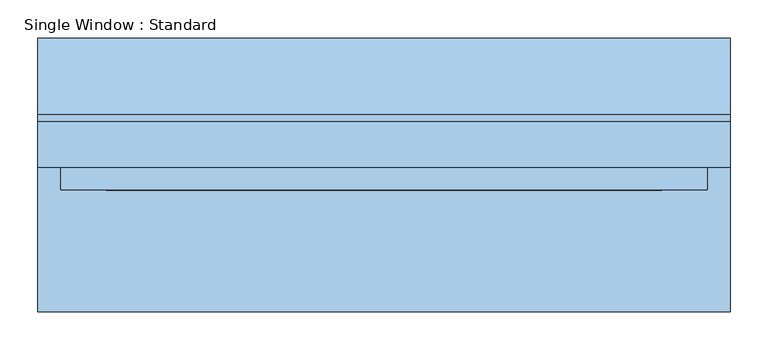
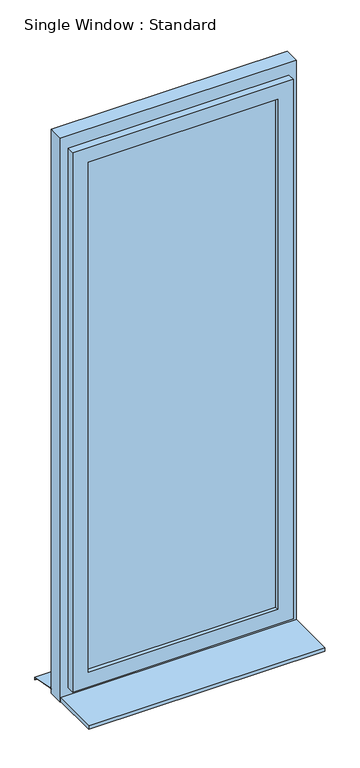
"""IFC4 building model written with IfcOpenShell, lengths in millimetres: window geometry, Single Window : Standard."""

import ifcopenshell
import ifcopenshell.guid

model = None  # the IFC model being written
_history = None  # IfcOwnerHistory: only IFC2X3 demands one
_inside = {}  # id of a spatial element -> (the spatial element, [elements in it])
_under = {}  # id of a project, library or spatial element -> (it, [spatial elements below it])
_declared = {}  # id of a project -> (the project, [libraries it declares])
_typed = {}  # id of a type object -> (the type object, [elements of that type])
_made_of = {}  # id of a material, layer set ... -> (it, [elements and type objects made of it])


def new_model(schema):
    """Start an empty IFC model of exactly this schema.

    Asked for "IFC4X3", IfcOpenShell would pick the latest addendum, in which some entities
    have other attributes; the version numbers below select the first issue.
    IFC2X3 requires an IfcOwnerHistory on every rooted entity: one is made here for all.
    """
    global model, _history
    if schema == "IFC4X3":
        model = ifcopenshell.file(schema_version=(4, 3, 0, 0))
    else:
        model = ifcopenshell.file(schema=schema)
    _inside.clear()
    _under.clear()
    _declared.clear()
    _typed.clear()
    _made_of.clear()
    _history = None
    if model.schema == "IFC2X3":
        org = make("IfcOrganization", Name="unknown")
        user = make(
            "IfcPersonAndOrganization",
            ThePerson=make("IfcPerson", FamilyName="unknown"),
            TheOrganization=org,
        )
        app = make(
            "IfcApplication",
            ApplicationDeveloper=org,
            Version="unknown",
            ApplicationFullName="unknown",
            ApplicationIdentifier="unknown",
        )
        _history = make(
            "IfcOwnerHistory",
            OwningUser=user,
            OwningApplication=app,
            ChangeAction="ADDED",
            CreationDate=0,
        )
    return model


def make(cls, **values):
    """One entity of the class cls with the attributes given. An attribute that is None is left unset."""
    return model.create_entity(
        cls, **{name: value for name, value in values.items() if value is not None}
    )


def rooted(cls, **values):
    """An entity with a GlobalId (a new one), such as an element, a storey or a relation."""
    return make(cls, GlobalId=ifcopenshell.guid.new(), OwnerHistory=_history, **values)


def si_unit(unit_type, name, prefix=None):
    """IfcSIUnit, for example si_unit("LENGTHUNIT", "METRE", prefix="MILLI")."""
    return make("IfcSIUnit", UnitType=unit_type, Prefix=prefix, Name=name)


def assignment(units):
    """IfcUnitAssignment: the units of a project."""
    return None if units is None else make("IfcUnitAssignment", Units=units)


def point(xyz):
    """IfcCartesianPoint."""
    return None if xyz is None else make("IfcCartesianPoint", Coordinates=xyz)


def direction(xyz):
    """IfcDirection."""
    return None if xyz is None else make("IfcDirection", DirectionRatios=xyz)


def frame(location, z_axis=None, x_axis=None):
    """IfcAxis2Placement3D, a coordinate frame: its origin and axes. An axis left out is left unset."""
    return make(
        "IfcAxis2Placement3D",
        Location=point(location),
        Axis=direction(z_axis),
        RefDirection=direction(x_axis),
    )


def origin():
    """The frame at (0, 0, 0) with its axes left unset."""
    return frame((0.0, 0.0, 0.0))


def place(relative_to, where):
    """IfcLocalPlacement: puts the frame where relative to a parent placement (None: the world)."""
    return make(
        "IfcLocalPlacement", PlacementRelTo=relative_to, RelativePlacement=where
    )


def context(
    kind, dimensions, precision=None, world=None, true_north=None, identifier=None
):
    """IfcGeometricRepresentationContext, for example the 3D "Model" context."""
    return make(
        "IfcGeometricRepresentationContext",
        ContextIdentifier=identifier,
        ContextType=kind,
        CoordinateSpaceDimension=dimensions,
        Precision=precision,
        WorldCoordinateSystem=world,
        TrueNorth=true_north,
    )


def project(units=None, contexts=None):
    """IfcProject with its units and contexts."""
    return rooted(
        "IfcProject",
        Name="project",
        RepresentationContexts=contexts,
        UnitsInContext=assignment(units),
    )


def spatial(cls, under=None, at=None, **own):
    """A site, building, storey or space (cls), placed at a placement, below another one or the project."""
    s = rooted(cls, ObjectPlacement=at, **own)
    if under is not None:
        _under.setdefault(under.id(), (under, []))[1].append(s)
    return s


def polyline(points):
    """IfcPolyline through the points."""
    return make("IfcPolyline", Points=[point(p) for p in points])


def outline(outer, holes=None, kind="AREA"):
    """IfcArbitraryClosedProfileDef: a profile drawn as a closed curve; with holes, ...WithVoids."""
    if holes is None:
        return make("IfcArbitraryClosedProfileDef", ProfileType=kind, OuterCurve=outer)
    return make(
        "IfcArbitraryProfileDefWithVoids",
        ProfileType=kind,
        OuterCurve=outer,
        InnerCurves=holes,
    )


def extrude(swept, where, along, depth):
    """IfcExtrudedAreaSolid: the profile swept, set in the frame where, extruded along a direction by depth."""
    return make(
        "IfcExtrudedAreaSolid",
        SweptArea=swept,
        Position=where,
        ExtrudedDirection=direction(along),
        Depth=depth,
    )


def faces_of(points, faces, orient=None, outer=None):
    """IfcFace entities. A face is a list of loops; a loop is a list of indices into points, from 0.

    orient and outer hold one flag for each loop. By default every Orientation is true, the
    first loop of a face is its IfcFaceOuterBound and the others are IfcFaceBound.
    """
    made = []
    for i, loops in enumerate(faces):
        bounds = []
        for j, loop in enumerate(loops):
            is_outer = j == 0 if outer is None else outer[i][j]
            bounds.append(
                make(
                    "IfcFaceOuterBound" if is_outer else "IfcFaceBound",
                    Bound=make("IfcPolyLoop", Polygon=[points[k] for k in loop]),
                    Orientation=True if orient is None else orient[i][j],
                )
            )
        made.append(make("IfcFace", Bounds=bounds))
    return made


def faceted_brep(points, faces, orient=None, outer=None, voids=None):
    """IfcFacetedBrep: a solid bounded by flat faces; with voids (closed shells), ...WithVoids."""
    shared = [point(p) for p in points]
    hull = make("IfcClosedShell", CfsFaces=faces_of(shared, faces, orient, outer))
    if voids is None:
        return make("IfcFacetedBrep", Outer=hull)
    return make(
        "IfcFacetedBrepWithVoids",
        Outer=hull,
        Voids=[
            make(cls, CfsFaces=faces_of(shared, fs, o, b)) for cls, fs, o, b in voids
        ],
    )


def shape(context_of_items, identifier, shape_type, items):
    """IfcShapeRepresentation: the items that make up one representation, for example the "Body"."""
    return make(
        "IfcShapeRepresentation",
        ContextOfItems=context_of_items,
        RepresentationIdentifier=identifier,
        RepresentationType=shape_type,
        Items=items,
    )


def source(mapping_origin, context_of_items, identifier, shape_type, items):
    """IfcRepresentationMap: a shape defined once, which mapped items show again and again."""
    return make(
        "IfcRepresentationMap",
        MappingOrigin=mapping_origin,
        MappedRepresentation=shape(context_of_items, identifier, shape_type, items),
    )


def transform(
    local_origin,
    x_axis=None,
    y_axis=None,
    z_axis=None,
    scale=None,
    scale2=None,
    scale3=None,
    uniform=True,
):
    """IfcCartesianTransformationOperator3D, or its non-uniform kind. x_axis, y_axis, z_axis: its Axis1, 2, 3."""
    if uniform:
        return make(
            "IfcCartesianTransformationOperator3D",
            Axis1=direction(x_axis),
            Axis2=direction(y_axis),
            LocalOrigin=point(local_origin),
            Scale=scale,
            Axis3=direction(z_axis),
        )
    return make(
        "IfcCartesianTransformationOperator3DnonUniform",
        Axis1=direction(x_axis),
        Axis2=direction(y_axis),
        LocalOrigin=point(local_origin),
        Scale=scale,
        Axis3=direction(z_axis),
        Scale2=scale2,
        Scale3=scale3,
    )


def mapped(mapping_source, mapping_target):
    """IfcMappedItem: shows the shape of a source again, moved by a transform."""
    return make(
        "IfcMappedItem", MappingSource=mapping_source, MappingTarget=mapping_target
    )


def made_of(thing, what):
    """Note that an element or type object is made of a material, layer set ...; save() writes the relation."""
    if what is not None:
        _made_of.setdefault(what.id(), (what, []))[1].append(thing)
    return thing


def element(
    cls,
    number,
    at=None,
    inside=None,
    cuts=None,
    type_object=None,
    material=None,
    context=None,
    identifier="Body",
    shape_type=None,
    held_by="IfcProductDefinitionShape",
    body=None,
    shapes=None,
    **own,
):
    """One element of the class cls, such as IfcWall. Its Tag is "e" and its number.

    at: its placement. inside: the storey or other place that contains it. cuts: it is an
    opening in that element (IfcRelVoidsElement). A single representation is given by context,
    identifier, shape_type and body (its items); several are given by shapes. held_by: the class
    of the entity that holds the representations. save() writes the other relations.
    """
    e = rooted(cls, Tag="e%d" % number, ObjectPlacement=at, **own)
    if body is not None:
        shapes = [shape(context, identifier, shape_type, body)]
    if shapes is not None:
        e.Representation = make(held_by, Representations=shapes)
    if inside is not None:
        _inside.setdefault(inside.id(), (inside, []))[1].append(e)
    if cuts is not None:
        rooted(
            "IfcRelVoidsElement", RelatingBuildingElement=cuts, RelatedOpeningElement=e
        )
    if type_object is not None:
        _typed.setdefault(type_object.id(), (type_object, []))[1].append(e)
    return made_of(e, material)


def aggregate(whole, parts):
    """IfcRelAggregates: a whole, such as a stair, and the parts it consists of."""
    return rooted("IfcRelAggregates", RelatingObject=whole, RelatedObjects=parts)


def save(model, path):
    """Write the relations noted so far, then the file.

    IfcRelAggregates (storeys below a building ...), IfcRelContainedInSpatialStructure (elements
    in a storey), IfcRelDefinesByType, IfcRelAssociatesMaterial and IfcRelDeclares: one each for
    every whole, place, type object, material and project.
    """
    for whole, parts in _under.values():
        aggregate(whole, parts)
    for where, things in _inside.values():
        rooted(
            "IfcRelContainedInSpatialStructure",
            RelatedElements=things,
            RelatingStructure=where,
        )
    for kind, things in _typed.values():
        rooted("IfcRelDefinesByType", RelatedObjects=things, RelatingType=kind)
    for what, things in _made_of.values():
        rooted("IfcRelAssociatesMaterial", RelatedObjects=things, RelatingMaterial=what)
    for by, libraries in _declared.values():
        rooted("IfcRelDeclares", RelatingContext=by, RelatedDefinitions=libraries)
    model.write(path)


def single_window_standard_02071a54(model_context):
    return source(origin(), model_context, "Body", "SolidModel", [
        extrude(outline(polyline([(365.3376555, -5.0), (-365.3376555, -5.0), (-365.3376555, 25.0), (365.3376555, 25.0), (365.3376555, -5.0)])), frame((0.0, 0.0, 1110.0), z_axis=(0.0, 0.0, 1.0), x_axis=(1.0, 0.0, 0.0)), (0.0, 0.0, 1.0), 2080.0),
        faceted_brep([(425.3376555, 10.0, 3250.0), (425.3376555, -20.0, 3250.0), (425.3376555, -20.0, 1050.0), (425.3376555, 10.0, 1050.0), (395.3376555, 40.0, 3220.0), (395.3376555, 10.0, 3220.0), (395.3376555, 10.0, 1080.0), (395.3376555, 40.0, 1080.0), (365.3376555, -20.0, 3190.0), (365.3376555, 40.0, 3190.0), (365.3376555, 40.0, 1110.0), (365.3376555, -20.0, 1110.0), (-425.3376555, -20.0, 1050.0), (-425.3376555, 10.0, 1050.0), (-395.3376555, 10.0, 1080.0), (-395.3376555, 40.0, 1080.0), (-365.3376555, 40.0, 1110.0), (-365.3376555, -20.0, 1110.0), (-425.3376555, -20.0, 3250.0), (-425.3376555, 10.0, 3250.0), (-395.3376555, 10.0, 3220.0), (-395.3376555, 40.0, 3220.0), (-365.3376555, 40.0, 3190.0), (-365.3376555, -20.0, 3190.0)], [[[0, 1, 2, 3]], [[4, 5, 6, 7]], [[8, 9, 10, 11]], [[3, 2, 12, 13]], [[7, 6, 14, 15]], [[11, 10, 16, 17]], [[13, 12, 18, 19]], [[15, 14, 20, 21]], [[17, 16, 22, 23]], [[19, 18, 1, 0]], [[3, 13, 19, 0], [5, 20, 14, 6]], [[21, 20, 5, 4]], [[7, 15, 21, 4], [9, 22, 16, 10]], [[23, 22, 9, 8]], [[1, 18, 12, 2], [11, 17, 23, 8]]]),
        extrude(outline(polyline([(3300.0, 455.3376555), (3300.0, -455.3376555), (1000.0, -455.3376555), (1000.0, 455.3376555), (3300.0, 455.3376555)]), holes=[polyline([(3220.0, 395.3376555), (1080.0, 395.3376555), (1080.0, -395.3376555), (3220.0, -395.3376555), (3220.0, 395.3376555)])]), frame((0.0, 10.0, 0.0), z_axis=(0.0, 1.0, 0.0), x_axis=(0.0, 0.0, 1.0)), (0.0, 0.0, 1.0), 60.0),
        extrude(outline(polyline([(80.0221543, 1020.0), (180.0, 1000.0), (180.0, 990.0), (178.0, 990.0), (178.0, 998.3604634), (79.8240723, 1018.0), (70.0, 1018.0), (70.0, 1020.0), (80.0221543, 1020.0)])), frame((-455.3376555, 0.0, 0.0), z_axis=(1.0, 0.0, 0.0), x_axis=(0.0, 1.0, 0.0)), (0.0, 0.0, 1.0), 910.675311),
        extrude(outline(polyline([(-455.3376555, -180.0), (-455.3376555, 10.0), (455.3376555, 10.0), (455.3376555, -180.0), (-455.3376555, -180.0)])), frame((0.0, 0.0, 1005.0), z_axis=(0.0, 0.0, 1.0), x_axis=(1.0, 0.0, 0.0)), (0.0, 0.0, 1.0), 15.0),
    ])


if __name__ == "__main__":
    model = new_model("IFC4")
    model_context = context("Model", 3, world=origin())
    ifc_project = project(units=[si_unit("LENGTHUNIT", "METRE", prefix="MILLI")], contexts=[model_context])
    site = spatial("IfcSite", under=ifc_project)
    building = spatial("IfcBuilding", under=site)
    placement = place(None, origin())
    single_window_standard_shape = single_window_standard_02071a54(model_context)
    element("IfcWindow", 1, ObjectType="Single Window : Standard", at=placement, inside=building, context=model_context, shape_type="MappedRepresentation", body=[
        mapped(single_window_standard_shape, transform((0.0, 0.0, 0.0), x_axis=(1.0, 0.0, 0.0), y_axis=(0.0, 1.0, 0.0), z_axis=(0.0, 0.0, 1.0))),
    ])
    save(model, "model.ifc")
